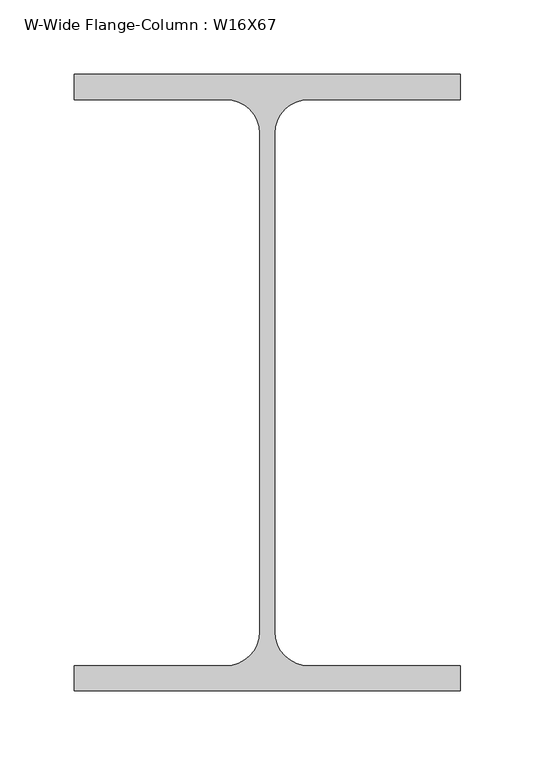
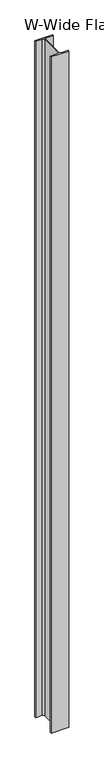
"""IFC4 building model written with IfcOpenShell, lengths in millimetres: column geometry, W-Wide Flange-Column : W16X67."""

from ifc_helpers import new_model, si_unit, point, frame_2d, origin, origin_with_axes, place, context, project, spatial, polyline, circle_curve, trimmed, segment, composite_curve, outline, extrude, source, transform, mapped, element, save


def w_wide_flange_column_w16x67_dcc9569f(model_context):
    return source(origin(), model_context, "Body", "SweptSolid", [
        extrude(outline(composite_curve([segment(polyline([(129.5300781, 207.0199219), (129.5300781, 190.1527344), (27.8308594, 190.1527344)]), True, "CONTINUOUS"), segment(trimmed(circle_curve(frame_2d((27.8308594, 167.3324219)), 22.8203125), [point((27.8308594, 190.1527344))], [point((5.0105469, 167.3324219))], True, "CARTESIAN"), True, "CONTINUOUS"), segment(polyline([(5.0105469, 167.3324219), (5.0105469, -167.3324219)]), True, "CONTINUOUS"), segment(trimmed(circle_curve(frame_2d((27.8308594, -167.3324219)), 22.8203125), [point((5.0105469, -167.3324219))], [point((27.8308594, -190.1527344))], True, "CARTESIAN"), True, "CONTINUOUS"), segment(polyline([(27.8308594, -190.1527344), (129.5300781, -190.1527344), (129.5300781, -207.0199219), (-129.5300781, -207.0199219), (-129.5300781, -190.1527344), (-27.8308594, -190.1527344)]), True, "CONTINUOUS"), segment(trimmed(circle_curve(frame_2d((-27.8308594, -167.3324219)), 22.8203125), [point((-27.8308594, -190.1527344))], [point((-5.0105469, -167.3324219))], True, "CARTESIAN"), True, "CONTINUOUS"), segment(polyline([(-5.0105469, -167.3324219), (-5.0105469, 167.3324219)]), True, "CONTINUOUS"), segment(trimmed(circle_curve(frame_2d((-27.8308594, 167.3324219)), 22.8203125), [point((-5.0105469, 167.3324219))], [point((-27.8308594, 190.1527344))], True, "CARTESIAN"), True, "CONTINUOUS"), segment(polyline([(-27.8308594, 190.1527344), (-129.5300781, 190.1527344), (-129.5300781, 207.0199219), (129.5300781, 207.0199219)]), True, "CONTINUOUS")], self_intersect=False)), origin_with_axes(), (0.0, 0.0, 1.0), 10515.6),
    ])


if __name__ == "__main__":
    model = new_model("IFC4")
    model_context = context("Model", 3, world=origin())
    ifc_project = project(units=[si_unit("LENGTHUNIT", "METRE", prefix="MILLI")], contexts=[model_context])
    site = spatial("IfcSite", under=ifc_project)
    building = spatial("IfcBuilding", under=site)
    placement = place(None, origin())
    w_wide_flange_column_w16x67_shape = w_wide_flange_column_w16x67_dcc9569f(model_context)
    element("IfcColumn", 1, ObjectType="W-Wide Flange-Column : W16X67", at=placement, inside=building, context=model_context, shape_type="MappedRepresentation", body=[
        mapped(w_wide_flange_column_w16x67_shape, transform((0.0, 0.0, 0.0), x_axis=(1.0, 0.0, 0.0), y_axis=(0.0, 1.0, 0.0), z_axis=(0.0, 0.0, 1.0))),
    ])
    save(model, "model.ifc")
